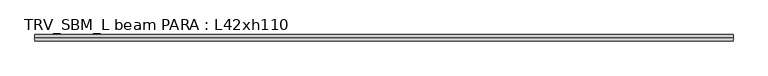
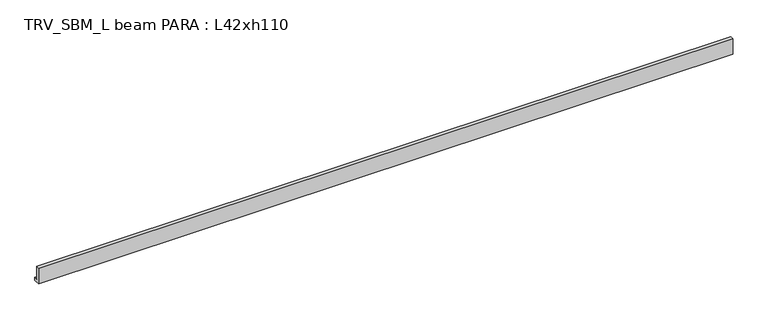
"""IFC4 building model written with IfcOpenShell, lengths in millimetres: beam geometry, TRV_SBM_L beam PARA : L42xh110."""

from ifc_helpers import new_model, si_unit, frame, origin, place, context, project, spatial, polyline, outline, extrude, source, transform, mapped, element, save


def trv_sbm_l_beam_para_l42xh110_2e30cadf(model_context):
    return source(origin(), model_context, "Body", "SweptSolid", [
        extrude(outline(polyline([(-115.0, -100.0), (-115.0, 1000.0), (85.0, 1000.0), (85.0, 120.0), (305.0, 120.0), (305.0, -100.0), (-115.0, -100.0)])), frame((-22742.4362201, 0.0, 0.0), z_axis=(1.0, 0.0, 0.0), x_axis=(0.0, 1.0, 0.0)), (0.0, 0.0, 1.0), 45430.2062923),
    ])


if __name__ == "__main__":
    model = new_model("IFC4")
    model_context = context("Model", 3, world=origin())
    ifc_project = project(units=[si_unit("LENGTHUNIT", "METRE", prefix="MILLI")], contexts=[model_context])
    site = spatial("IfcSite", under=ifc_project)
    building = spatial("IfcBuilding", under=site)
    placement = place(None, origin())
    trv_sbm_l_beam_para_l42xh110_shape = trv_sbm_l_beam_para_l42xh110_2e30cadf(model_context)
    element("IfcBeam", 1, ObjectType="TRV_SBM_L beam PARA : L42xh110", at=placement, inside=building, context=model_context, shape_type="MappedRepresentation", body=[
        mapped(trv_sbm_l_beam_para_l42xh110_shape, transform((0.0, 0.0, 0.0), x_axis=(1.0, 0.0, 0.0), y_axis=(0.0, 1.0, 0.0), z_axis=(0.0, 0.0, 1.0))),
    ])
    save(model, "model.ifc")
